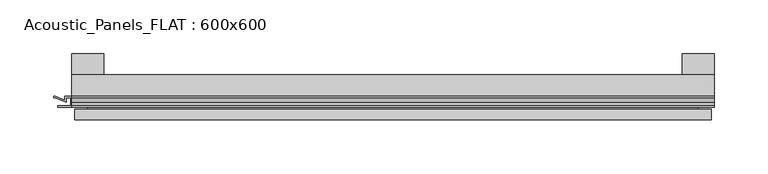
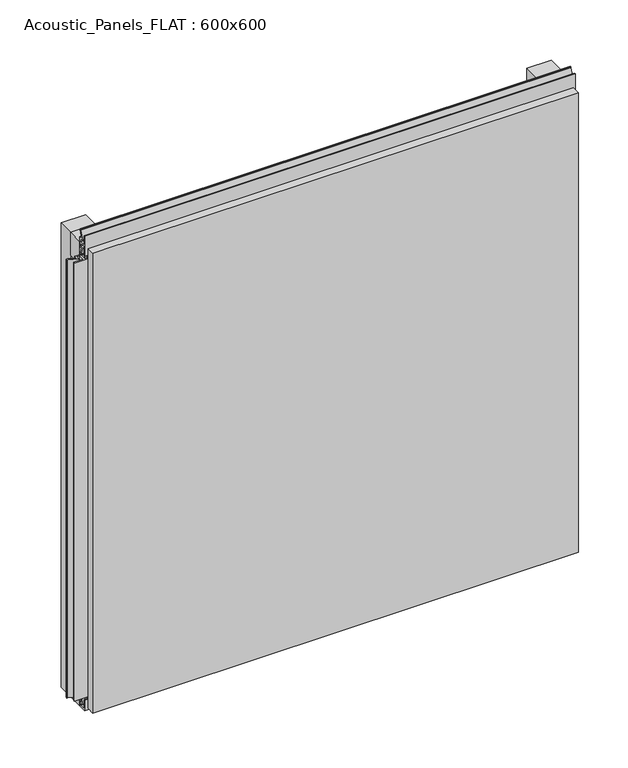
"""IFC4 building model written with IfcOpenShell, lengths in millimetres: plate geometry, Acoustic_Panels_FLAT : 600x600."""

from ifc_helpers import new_model, si_unit, frame, origin, origin_with_axes, place, context, project, spatial, polyline, outline, extrude, faceted_brep, source, transform, mapped, element, save


def acoustic_panels_flat_600x600_aa0ff266(model_context):
    return source(origin(), model_context, "Body", "SolidModel", [
        extrude(outline(polyline([(-300.0, -40.0), (-300.0, -20.0), (300.0, -20.0), (300.0, -40.0), (-300.0, -40.0)])), frame((0.0, 0.0, 570.0), z_axis=(0.0, 0.0, 1.0), x_axis=(1.0, 0.0, 0.0)), (0.0, 0.0, 1.0), 30.0),
        extrude(outline(polyline([(-300.0, -40.0), (-300.0, -20.0), (300.0, -20.0), (300.0, -40.0), (-300.0, -40.0)])), origin_with_axes(), (0.0, 0.0, 1.0), 30.0),
        extrude(outline(polyline([(270.0, 0.0), (300.0, 0.0), (300.0, -20.0), (270.0, -20.0), (270.0, 0.0)])), origin_with_axes(), (0.0, 0.0, 1.0), 600.0),
        extrude(outline(polyline([(-270.0, 0.0), (-270.0, -20.0), (-300.0, -20.0), (-300.0, 0.0), (-270.0, 0.0)])), origin_with_axes(), (0.0, 0.0, 1.0), 600.0),
        extrude(outline(polyline([(-40.0, 6.299084), (-40.0, 0.0), (-50.1, 0.0), (-50.1, 13.4156807), (-48.7, 13.4156807), (-48.7, 1.4156807), (-41.4, 1.4156807), (-41.4, 4.899084), (-45.5140545, 4.899084), (-41.4553267, 15.5703394), (-41.4553267, 22.991548), (-40.0553267, 22.991548), (-40.0553267, 15.3558599), (-43.5, 6.299084), (-40.0, 6.299084)])), frame((-300.0, 0.0, 0.0), z_axis=(1.0, 0.0, 0.0), x_axis=(0.0, 1.0, 0.0)), (0.0, 0.0, 1.0), 600.0),
        extrude(outline(polyline([(-300.899084, -48.7), (-300.899084, -41.4), (-304.899084, -41.4), (-304.899084, -45.5140545), (-315.5703394, -41.4553267), (-316.9558599, -41.4553267), (-316.9558599, -40.0553267), (-315.3558599, -40.0553267), (-306.299084, -43.5), (-306.299084, -40.0), (-293.700916, -40.0), (-293.700916, -43.5), (-284.6441401, -40.0553267), (-283.0441401, -40.0553267), (-283.0441401, -41.4553267), (-284.4296606, -41.4553267), (-295.100916, -45.5140545), (-295.100916, -41.4), (-299.100916, -41.4), (-299.100916, -48.7), (-287.100916, -48.7), (-287.100916, -50.1), (-312.899084, -50.1), (-312.899084, -48.7), (-300.899084, -48.7)])), frame((0.0, 0.0, 16.9558599), z_axis=(0.0, 0.0, 1.0), x_axis=(1.0, 0.0, 0.0)), (0.0, 0.0, 1.0), 566.0882802),
        extrude(outline(polyline([(-48.7, 600.899084), (-41.4, 600.899084), (-41.4, 604.899084), (-45.5140545, 604.899084), (-41.4553267, 615.5703394), (-41.4553267, 616.9558599), (-40.0553267, 616.9558599), (-40.0553267, 615.3558599), (-43.5, 606.299084), (-40.0, 606.299084), (-40.0, 593.700916), (-43.5, 593.700916), (-40.0553267, 584.6441401), (-40.0553267, 583.0441401), (-41.4553267, 583.0441401), (-41.4553267, 584.4296606), (-45.5140545, 595.100916), (-41.4, 595.100916), (-41.4, 599.100916), (-48.7, 599.100916), (-48.7, 587.100916), (-50.1, 587.100916), (-50.1, 612.899084), (-48.7, 612.899084), (-48.7, 600.899084)])), frame((-300.0, 0.0, 0.0), z_axis=(1.0, 0.0, 0.0), x_axis=(0.0, 1.0, 0.0)), (0.0, 0.0, 1.0), 600.0),
        faceted_brep([(297.0, -45.9, 597.0), (-297.0, -45.9, 597.0), (-297.0, -48.7, 597.0), (297.0, -48.7, 597.0), (-297.0, -61.9, 597.0), (297.0, -61.9, 597.0), (297.0, -51.9, 597.0), (-297.0, -51.9, 597.0), (-297.0, -45.9, 3.0), (297.0, -45.9, 3.0), (297.0, -48.7, 3.0), (-297.0, -48.7, 3.0), (297.0, -61.9, 3.0), (-297.0, -61.9, 3.0), (-297.0, -51.9, 3.0), (297.0, -51.9, 3.0), (285.0, -51.9, 585.0), (285.0, -51.9, 15.0), (285.0, -48.7, 15.0), (285.0, -48.7, 585.0), (-285.0, -51.9, 15.0), (-285.0, -48.7, 15.0), (-285.0, -51.9, 585.0), (-285.0, -48.7, 585.0)], [[[0, 1, 2, 3]], [[4, 5, 6, 7]], [[8, 9, 10, 11]], [[12, 13, 14, 15]], [[1, 0, 9, 8]], [[1, 8, 11, 2]], [[13, 4, 7, 14]], [[5, 4, 13, 12]], [[9, 0, 3, 10]], [[5, 12, 15, 6]], [[16, 17, 18, 19]], [[18, 17, 20, 21]], [[21, 20, 22, 23]], [[16, 19, 23, 22]], [[7, 6, 15, 14], [17, 16, 22, 20]], [[3, 2, 11, 10], [19, 18, 21, 23]]]),
    ])


if __name__ == "__main__":
    model = new_model("IFC4")
    model_context = context("Model", 3, world=origin())
    ifc_project = project(units=[si_unit("LENGTHUNIT", "METRE", prefix="MILLI")], contexts=[model_context])
    site = spatial("IfcSite", under=ifc_project)
    building = spatial("IfcBuilding", under=site)
    placement = place(None, origin())
    acoustic_panels_flat_600x600_shape = acoustic_panels_flat_600x600_aa0ff266(model_context)
    element("IfcPlate", 1, ObjectType="Acoustic_Panels_FLAT : 600x600", at=placement, inside=building, context=model_context, shape_type="MappedRepresentation", body=[
        mapped(acoustic_panels_flat_600x600_shape, transform((0.0, 0.0, 0.0), x_axis=(1.0, 0.0, 0.0), y_axis=(0.0, 1.0, 0.0), z_axis=(0.0, 0.0, 1.0))),
    ])
    save(model, "model.ifc")
